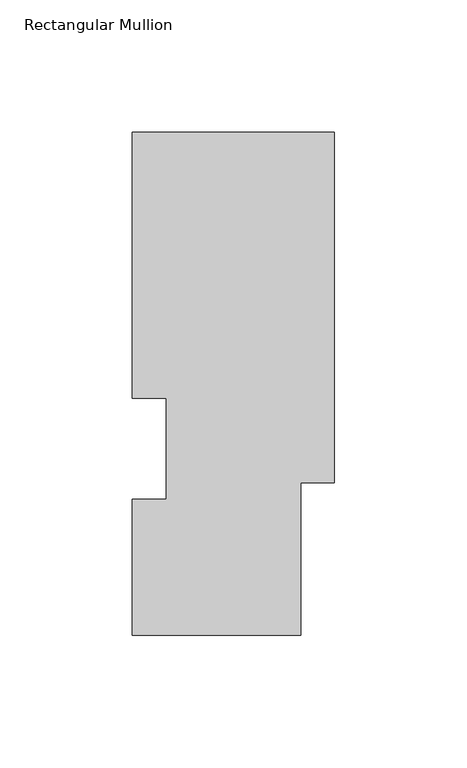
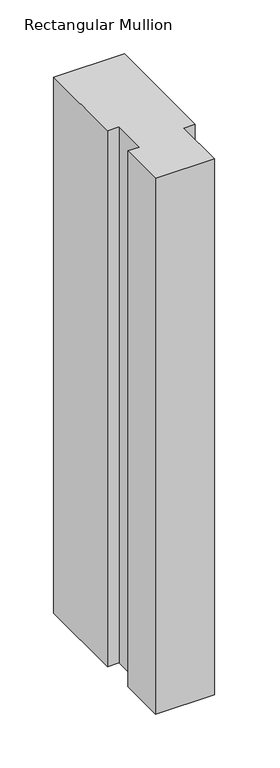
"""IFC4 building model written with IfcOpenShell, lengths in millimetres: member geometry, Rectangular Mullion."""

from ifc_helpers import new_model, si_unit, frame, origin, place, context, project, spatial, polyline, outline, extrude, source, transform, mapped, element, save


def rectangular_mullion_b2d29d5c(model_context):
    return source(origin(), model_context, "Body", "SweptSolid", [
        extrude(outline(polyline([(-76.2, 89.5945313), (-76.2, 190.0007313), (0.0, 190.0007312), (0.0, 57.8440332), (-12.7, 57.8440332), (-12.7, 0.2119312), (-76.1999999, 0.2119312), (-76.1999999, 51.4945312), (-63.5, 51.4945312), (-63.5, 89.5945313), (-76.2, 89.5945313)])), frame((0.0, 0.0, -609.6), z_axis=(0.0, 0.0, 1.0), x_axis=(1.0, 0.0, 0.0)), (0.0, 0.0, 1.0), 609.6),
    ])


if __name__ == "__main__":
    model = new_model("IFC4")
    model_context = context("Model", 3, world=origin())
    ifc_project = project(units=[si_unit("LENGTHUNIT", "METRE", prefix="MILLI")], contexts=[model_context])
    site = spatial("IfcSite", under=ifc_project)
    building = spatial("IfcBuilding", under=site)
    placement = place(None, origin())
    rectangular_mullion_shape = rectangular_mullion_b2d29d5c(model_context)
    element("IfcMember", 1, ObjectType="Rectangular Mullion", at=placement, inside=building, context=model_context, shape_type="MappedRepresentation", body=[
        mapped(rectangular_mullion_shape, transform((0.0, 0.0, 0.0), x_axis=(1.0, 0.0, 0.0), y_axis=(0.0, 1.0, 0.0), z_axis=(0.0, 0.0, 1.0))),
    ])
    save(model, "model.ifc")
